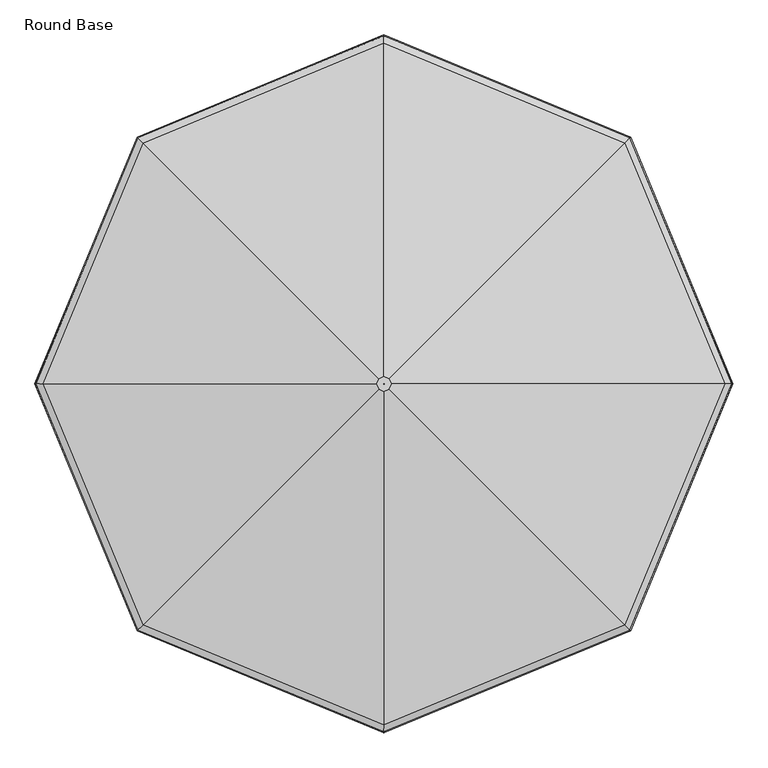
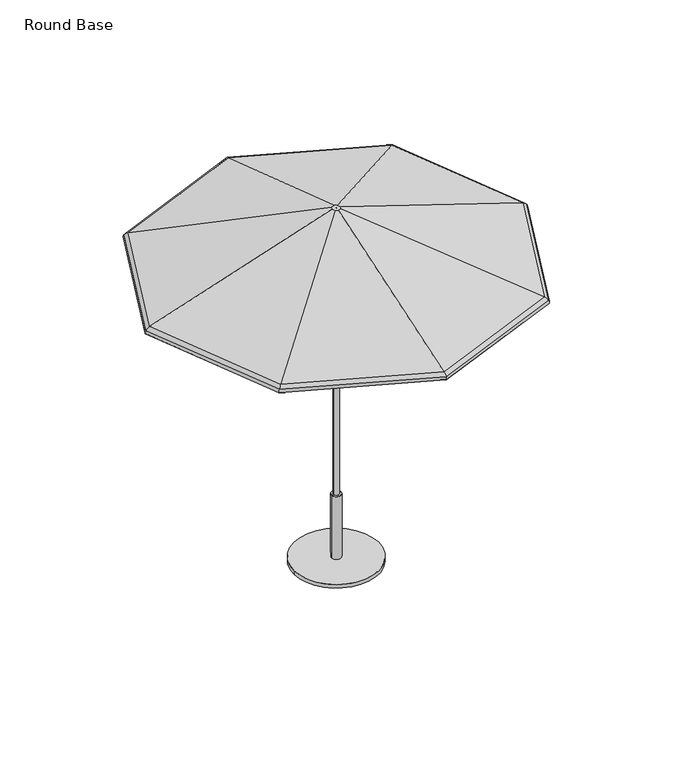
"""IFC4 building model written with IfcOpenShell, lengths in millimetres: furniture geometry, Round Base."""

from ifc_helpers import new_model, si_unit, point, frame, frame_2d, origin, origin_with_axes, place, context, project, spatial, polyline, circle_curve, ellipse_curve, trimmed, segment, composite_curve, outline, extrude, source, transform, mapped, element, save
from ifc_brep_helpers import plane_surface, cylinder_surface, revolved_surface, advanced_brep


def round_base_2bf08d6b(model_context):
    return source(origin(), model_context, "Body", "SolidModel", [
        advanced_brep(
        [(19.5795967, -23.609512, 2449.3082423), (867.9781902, -872.00808, 2054.63825), (1227.5064869, -4.0299408, 2054.63825), (27.6897202, -4.0299408, 2449.3082423), (0.2837179, -4.3136338, 2444.7441798), (0.2837179, -4.3136338, 2449.3082423), (0.4012274, -4.0299408, 2449.3082423), (0.4012274, -4.0299408, 2444.7441798), (866.8065131, -870.8364029, 2050.3385867), (18.976283, -23.0061982, 2444.7441798), (26.8365057, -4.0299408, 2444.7441798), (1225.8494853, -4.0299408, 2050.3385867), (867.9781902, 863.9481984, 2054.63825), (19.5795967, 15.5496304, 2449.3082423), (0.2837179, -3.7462478, 2449.3082423), (0.2837179, -3.7462478, 2444.7441798), (18.976283, 14.9463167, 2444.7441798), (866.8065131, 862.7765214, 2050.3385867), (0.0, 1223.4765468, 2054.63825), (0.0, 23.6597651, 2449.3082423), (0.0, -3.6287279, 2449.3082423), (0.0, -3.6287279, 2444.7441798), (0.0, 22.8065507, 2444.7441798), (0.0, 1221.8195452, 2050.3385867), (-867.9781902, 863.9481984, 2054.63825), (-19.5795967, 15.5496304, 2449.3082423), (-0.2837179, -3.7462478, 2449.3082423), (-0.2837179, -3.7462478, 2444.7441798), (-18.976283, 14.9463167, 2444.7441798), (-866.8065131, 862.7765214, 2050.3385867), (-1227.5064869, -4.0299408, 2054.63825), (-27.6897202, -4.0299408, 2449.3082423), (-0.4012274, -4.0299408, 2449.3082423), (-0.4012274, -4.0299408, 2444.7441798), (-26.8365057, -4.0299408, 2444.7441798), (-1225.8494853, -4.0299408, 2050.3385867), (-867.9781902, -872.00808, 2054.63825), (-19.5795967, -23.609512, 2449.3082423), (-0.2837179, -4.3136338, 2449.3082423), (-0.2837179, -4.3136338, 2444.7441798), (-18.976283, -23.0061982, 2444.7441798), (-866.8065131, -870.8364029, 2050.3385867), (0.0, -1231.5364283, 2054.63825), (0.0, -31.7196467, 2449.3082423), (0.0, -4.4311536, 2449.3082423), (0.0, -4.4311536, 2444.7441798), (0.0, -30.8664322, 2444.7441798), (0.0, -1229.8794267, 2050.3385867), (888.6808391, -892.7107282, 2015.4829783), (885.3255026, -889.3553919, 2016.7551217), (1252.0392907, -4.0299408, 2016.7551217), (1256.784453, -4.0299408, 2015.4829783), (886.7474447, -890.7773339, 2034.8989025), (1254.0502205, -4.0299408, 2034.8989025), (885.3255026, 881.2955103, 2016.7551217), (888.6808391, 884.6508467, 2015.4829783), (886.7474447, 882.7174524, 2034.8989025), (0.0, 1248.0093509, 2016.7551217), (0.0, 1252.7545132, 2015.4829783), (0.0, 1250.0202807, 2034.8989025), (-885.3255026, 881.2955103, 2016.7551217), (-888.6808391, 884.6508467, 2015.4829783), (-886.7474447, 882.7174524, 2034.8989025), (-1252.0392907, -4.0299408, 2016.7551217), (-1256.784453, -4.0299408, 2015.4829783), (-1254.0502205, -4.0299408, 2034.8989025), (-885.3255026, -889.3553919, 2016.7551217), (-888.6808391, -892.7107282, 2015.4829783), (-886.7474447, -890.7773339, 2034.8989025), (0.0, -1256.0692325, 2016.7551217), (0.0, -1260.8143948, 2015.4829783), (0.0, -1258.0801623, 2034.8989025), (883.7829619, -887.8128512, 2032.4847066), (1249.8578088, -4.0299408, 2032.4847066), (883.7829619, 879.7529696, 2032.4847066), (0.0, 1245.827869, 2032.4847066), (-883.7829619, 879.7529696, 2032.4847066), (-1249.8578088, -4.0299408, 2032.4847066), (-883.7829619, -887.8128512, 2032.4847066), (0.0, -1253.8877505, 2032.4847066)],
        [
            (0, 1),
            (1, 2),
            (2, 3),
            (3, 0),
            (4, 5),
            (5, 6),
            (6, 7),
            (7, 4),
            (8, 9),
            (9, 10),
            (10, 11),
            (11, 8),
            (2, 12),
            (12, 13),
            (13, 3),
            (6, 14),
            (14, 15),
            (15, 7),
            (10, 16),
            (16, 17),
            (17, 11),
            (12, 18),
            (18, 19),
            (19, 13),
            (14, 20),
            (20, 21),
            (21, 15),
            (16, 22),
            (22, 23),
            (23, 17),
            (18, 24),
            (24, 25),
            (25, 19),
            (20, 26),
            (26, 27),
            (27, 21),
            (22, 28),
            (28, 29),
            (29, 23),
            (24, 30),
            (30, 31),
            (31, 25),
            (26, 32),
            (32, 33),
            (33, 27),
            (28, 34),
            (34, 35),
            (35, 29),
            (30, 36),
            (36, 37),
            (37, 31),
            (32, 38),
            (38, 39),
            (39, 33),
            (34, 40),
            (40, 41),
            (41, 35),
            (36, 42),
            (42, 43),
            (43, 37),
            (38, 44),
            (44, 45),
            (45, 39),
            (40, 46),
            (46, 47),
            (47, 41),
            (42, 1),
            (0, 43),
            (5, 44),
            (4, 45),
            (9, 46),
            (8, 47),
            (48, 49, ellipse_curve(frame((887.0110539, -891.0409431, 2016.1545442), z_axis=(0.7071067705718669, 0.7071067918012279, 0.0), x_axis=(0.7071067918012278, -0.707106770571867, 0.0)), 2.4707782, 2.2827014)),
            (49, 50),
            (50, 51, ellipse_curve(frame((1254.4230202, -4.0299408, 2016.1545442), z_axis=(0.0, -1.0, 0.0), x_axis=(-1.0, 0.0, 0.0)), 2.4707782, 2.2827014)),
            (51, 48),
            (52, 48, ellipse_curve(frame((871.4269242, -875.4568139, 2022.4222784), z_axis=(0.7071067705718669, 0.7071067918012279, 0.0), x_axis=(0.7071067918012278, -0.707106770571867, 0.0)), 25.5305879, 23.5871876)),
            (51, 53, ellipse_curve(frame((1232.3837333, -4.0299408, 2022.4222784), z_axis=(0.0, -1.0, 0.0), x_axis=(-1.0, 0.0, 0.0)), 25.5305877, 23.5871876)),
            (53, 52),
            (1, 52, ellipse_curve(frame((855.7116602, -859.7415504, 2009.6241856), z_axis=(0.7071067705718669, 0.7071067918012279, 0.0), x_axis=(0.7071067918012278, -0.707106770571867, 0.0)), 51.7189887, 47.782115)),
            (53, 2, ellipse_curve(frame((1210.1589943, -4.0299408, 2009.6241856), z_axis=(0.0, -1.0, 0.0), x_axis=(-1.0, 0.0, 0.0)), 51.7189881, 47.782115)),
            (50, 54),
            (54, 55, ellipse_curve(frame((887.0110539, 882.9810616, 2016.1545442), z_axis=(0.7071067705718669, -0.7071067918012278, 0.0), x_axis=(-0.7071067918012273, -0.7071067705718674, 0.0)), 2.4707782, 2.2827014)),
            (55, 51),
            (55, 56, ellipse_curve(frame((871.4269242, 867.3969324, 2022.4222784), z_axis=(0.7071067705718669, -0.7071067918012278, 0.0), x_axis=(-0.7071067918012273, -0.7071067705718674, 0.0)), 25.5305879, 23.5871876)),
            (56, 53),
            (56, 12, ellipse_curve(frame((855.7116602, 851.6816688, 2009.6241856), z_axis=(0.7071067705718669, -0.7071067918012278, 0.0), x_axis=(-0.7071067918012273, -0.7071067705718674, 0.0)), 51.7189887, 47.782115)),
            (54, 57),
            (57, 58, ellipse_curve(frame((0.0, 1250.3930804, 2016.1545442), z_axis=(1.0, 0.0, 0.0), x_axis=(0.0, -1.0, 0.0)), 2.4707782, 2.2827014)),
            (58, 55),
            (58, 59, ellipse_curve(frame((0.0, 1228.3537932, 2022.4222784), z_axis=(1.0, 0.0, 0.0), x_axis=(0.0, -1.0, 0.0)), 25.530588, 23.5871876)),
            (59, 56),
            (59, 18, ellipse_curve(frame((0.0, 1206.129054, 2009.6241856), z_axis=(1.0, 0.0, 0.0), x_axis=(0.0, -1.0, 0.0)), 51.7189888, 47.782115)),
            (57, 60),
            (60, 61, ellipse_curve(frame((-887.0110539, 882.9810616, 2016.1545442), z_axis=(0.7071067705718668, 0.7071067918012279, 0.0), x_axis=(0.7071067918012285, -0.7071067705718664, 0.0)), 2.4707782, 2.2827014)),
            (61, 58),
            (61, 62, ellipse_curve(frame((-871.4269242, 867.3969324, 2022.4222784), z_axis=(0.7071067705718668, 0.7071067918012279, 0.0), x_axis=(0.7071067918012285, -0.7071067705718664, 0.0)), 25.5305879, 23.5871876)),
            (62, 59),
            (62, 24, ellipse_curve(frame((-855.7116602, 851.6816688, 2009.6241856), z_axis=(0.7071067705718668, 0.7071067918012279, 0.0), x_axis=(0.7071067918012285, -0.7071067705718664, 0.0)), 51.7189887, 47.782115)),
            (60, 63),
            (63, 64, ellipse_curve(frame((-1254.4230202, -4.0299408, 2016.1545442), z_axis=(0.0, 1.0, 0.0), x_axis=(1.0, 0.0, 0.0)), 2.4707782, 2.2827014)),
            (64, 61),
            (64, 65, ellipse_curve(frame((-1232.3837333, -4.0299408, 2022.4222784), z_axis=(0.0, 1.0, 0.0), x_axis=(1.0, 0.0, 0.0)), 25.5305877, 23.5871876)),
            (65, 62),
            (65, 30, ellipse_curve(frame((-1210.1589943, -4.0299408, 2009.6241856), z_axis=(0.0, 1.0, 0.0), x_axis=(1.0, 0.0, 0.0)), 51.7189881, 47.782115)),
            (63, 66),
            (66, 67, ellipse_curve(frame((-887.0110539, -891.0409431, 2016.1545442), z_axis=(-0.707106770571867, 0.7071067918012278, 0.0), x_axis=(0.7071067918012279, 0.7071067705718671, 0.0)), 2.4707782, 2.2827014)),
            (67, 64),
            (67, 68, ellipse_curve(frame((-871.4269242, -875.4568139, 2022.4222784), z_axis=(-0.707106770571867, 0.7071067918012278, 0.0), x_axis=(0.7071067918012279, 0.7071067705718671, 0.0)), 25.5305879, 23.5871876)),
            (68, 65),
            (68, 36, ellipse_curve(frame((-855.7116602, -859.7415504, 2009.6241856), z_axis=(-0.707106770571867, 0.7071067918012278, 0.0), x_axis=(0.7071067918012279, 0.7071067705718671, 0.0)), 51.7189887, 47.782115)),
            (66, 69),
            (69, 70, ellipse_curve(frame((0.0, -1258.452962, 2016.1545442), z_axis=(-1.0, 0.0, 0.0), x_axis=(0.0, 1.0, 0.0)), 2.4707782, 2.2827014)),
            (70, 67),
            (70, 71, ellipse_curve(frame((0.0, -1236.4136748, 2022.4222784), z_axis=(-1.0, 0.0, 0.0), x_axis=(0.0, 1.0, 0.0)), 25.530588, 23.5871876)),
            (71, 68),
            (71, 42, ellipse_curve(frame((0.0, -1214.1889356, 2009.6241856), z_axis=(-1.0, 0.0, 0.0), x_axis=(0.0, 1.0, 0.0)), 51.7189888, 47.782115)),
            (69, 49),
            (48, 70),
            (52, 71),
            (72, 8, ellipse_curve(frame((855.7116602, -859.7415504, 2009.6241856), z_axis=(-0.7071067705718669, -0.7071067918012279, 0.0), x_axis=(-0.7071067918012278, 0.707106770571867, 0.0)), 46.778883, 43.2180525)),
            (11, 73, ellipse_curve(frame((1210.1589943, -4.0299408, 2009.6241856), z_axis=(0.0, 1.0, 0.0), x_axis=(1.0, 0.0, 0.0)), 46.7788825, 43.2180525)),
            (73, 72),
            (49, 72, ellipse_curve(frame((871.4269242, -875.4568139, 2022.4222784), z_axis=(-0.7071067705718669, -0.7071067918012279, 0.0), x_axis=(-0.7071067918012278, 0.707106770571867, 0.0)), 20.5904823, 19.0231251)),
            (73, 50, ellipse_curve(frame((1232.3837333, -4.0299408, 2022.4222784), z_axis=(0.0, 1.0, 0.0), x_axis=(1.0, 0.0, 0.0)), 20.5904821, 19.0231251)),
            (17, 74, ellipse_curve(frame((855.7116602, 851.6816688, 2009.6241856), z_axis=(-0.7071067705718669, 0.7071067918012278, 0.0), x_axis=(0.7071067918012273, 0.7071067705718674, 0.0)), 46.778883, 43.2180525)),
            (74, 73),
            (74, 54, ellipse_curve(frame((871.4269242, 867.3969324, 2022.4222784), z_axis=(-0.7071067705718669, 0.7071067918012278, 0.0), x_axis=(0.7071067918012273, 0.7071067705718674, 0.0)), 20.5904823, 19.0231251)),
            (23, 75, ellipse_curve(frame((0.0, 1206.129054, 2009.6241856), z_axis=(-1.0, 0.0, 0.0), x_axis=(0.0, 1.0, 0.0)), 46.7788831, 43.2180525)),
            (75, 74),
            (75, 57, ellipse_curve(frame((0.0, 1228.3537932, 2022.4222784), z_axis=(-1.0, 0.0, 0.0), x_axis=(0.0, 1.0, 0.0)), 20.5904823, 19.0231251)),
            (29, 76, ellipse_curve(frame((-855.7116602, 851.6816688, 2009.6241856), z_axis=(-0.7071067705718668, -0.7071067918012279, 0.0), x_axis=(-0.7071067918012285, 0.7071067705718664, 0.0)), 46.778883, 43.2180525)),
            (76, 75),
            (76, 60, ellipse_curve(frame((-871.4269242, 867.3969324, 2022.4222784), z_axis=(-0.7071067705718668, -0.7071067918012279, 0.0), x_axis=(-0.7071067918012285, 0.7071067705718664, 0.0)), 20.5904823, 19.0231251)),
            (35, 77, ellipse_curve(frame((-1210.1589943, -4.0299408, 2009.6241856), z_axis=(0.0, -1.0, 0.0), x_axis=(-1.0, 0.0, 0.0)), 46.7788825, 43.2180525)),
            (77, 76),
            (77, 63, ellipse_curve(frame((-1232.3837333, -4.0299408, 2022.4222784), z_axis=(0.0, -1.0, 0.0), x_axis=(-1.0, 0.0, 0.0)), 20.5904821, 19.0231251)),
            (41, 78, ellipse_curve(frame((-855.7116602, -859.7415504, 2009.6241856), z_axis=(0.707106770571867, -0.7071067918012278, 0.0), x_axis=(-0.7071067918012279, -0.7071067705718671, 0.0)), 46.778883, 43.2180525)),
            (78, 77),
            (78, 66, ellipse_curve(frame((-871.4269242, -875.4568139, 2022.4222784), z_axis=(0.707106770571867, -0.7071067918012278, 0.0), x_axis=(-0.7071067918012279, -0.7071067705718671, 0.0)), 20.5904823, 19.0231251)),
            (47, 79, ellipse_curve(frame((0.0, -1214.1889356, 2009.6241856), z_axis=(1.0, 0.0, 0.0), x_axis=(0.0, -1.0, 0.0)), 46.7788831, 43.2180525)),
            (79, 78),
            (79, 69, ellipse_curve(frame((0.0, -1236.4136748, 2022.4222784), z_axis=(1.0, 0.0, 0.0), x_axis=(0.0, -1.0, 0.0)), 20.5904823, 19.0231251)),
            (72, 79),
        ],
        [
            plane_surface(frame((867.9781902, -872.00808, 2054.63825), z_axis=(0.3098860594599675, -0.12835900134285777, 0.9420693164128837), x_axis=(0.3826834138500074, 0.9238795401804848, 0.0))),
            plane_surface(frame((0.2837179, -4.3136338, 2449.3082423), z_axis=(-0.9238795401805519, 0.3826834138498457, 0.0), x_axis=(0.3826834138498457, 0.9238795401805519, 0.0))),
            plane_surface(frame((18.976283, -23.0061982, 2444.7441798), z_axis=(-0.30988605945996583, 0.12835900134286157, -0.9420693164128836), x_axis=(0.3826834138500158, 0.9238795401804812, 0.0))),
            plane_surface(frame((1227.5064869, -4.0299408, 2054.63825), z_axis=(0.3098860594599674, 0.1283590013428578, 0.9420693164128837), x_axis=(-0.38268341385000754, 0.9238795401804847, 0.0))),
            plane_surface(frame((0.4012274, -4.0299408, 2449.3082423), z_axis=(-0.9238795401804236, -0.38268341385015503, 0.0), x_axis=(-0.38268341385015503, 0.9238795401804236, 0.0))),
            plane_surface(frame((26.8365057, -4.0299408, 2444.7441798), z_axis=(-0.3098860594599669, -0.12835900134285932, -0.9420693164128837), x_axis=(-0.38268341385000904, 0.9238795401804841, 0.0))),
            plane_surface(frame((867.9781902, 863.9481984, 2054.63825), z_axis=(0.12835901064652352, 0.30988605560626115, 0.9420693164128842), x_axis=(-0.9238795286912376, 0.3826834415875042, 0.0))),
            plane_surface(frame((0.2837179, -3.7462478, 2449.3082423), z_axis=(-0.3826834415882052, -0.9238795286909472, 0.0), x_axis=(-0.9238795286909472, 0.3826834415882052, 0.0))),
            plane_surface(frame((18.976283, 14.9463167, 2444.7441798), z_axis=(-0.12835901064652197, -0.309886055606262, -0.9420693164128842), x_axis=(-0.9238795286912361, 0.38268344158750756, 0.0))),
            plane_surface(frame((0.0, 1223.4765468, 2054.63825), z_axis=(-0.12835901064652352, 0.3098860556062612, 0.9420693164128842), x_axis=(-0.9238795286912376, -0.3826834415875041, 0.0))),
            plane_surface(frame((0.0, -3.6287279, 2449.3082423), z_axis=(0.3826834415881674, -0.9238795286909629, 0.0), x_axis=(-0.9238795286909629, -0.3826834415881674, 1.7630868610491193e-12))),
            plane_surface(frame((0.0, 22.8065507, 2444.7441798), z_axis=(0.12835901064650254, -0.3098860556062698, -0.9420693164128842), x_axis=(-0.9238795286912317, -0.38268344158751827, 0.0))),
            plane_surface(frame((-867.9781902, 863.9481984, 2054.63825), z_axis=(-0.3098860594599674, 0.1283590013428577, 0.9420693164128838), x_axis=(-0.3826834138500073, -0.9238795401804849, 0.0))),
            plane_surface(frame((-0.2837179, -3.7462478, 2449.3082423), z_axis=(0.9238795401804988, -0.3826834138499735, 0.0), x_axis=(-0.3826834138499735, -0.9238795401804988, 0.0))),
            plane_surface(frame((-18.976283, 14.9463167, 2444.7441798), z_axis=(0.309886059459966, -0.12835900134286143, -0.9420693164128837), x_axis=(-0.38268341385001536, -0.9238795401804816, 0.0))),
            plane_surface(frame((-1227.5064869, -4.0299408, 2054.63825), z_axis=(-0.30988605945996744, -0.12835900134285777, 0.9420693164128836), x_axis=(0.3826834138500075, -0.9238795401804848, 0.0))),
            plane_surface(frame((-0.4012274, -4.0299408, 2449.3082423), z_axis=(0.9238795401804434, 0.3826834138501074, 0.0), x_axis=(0.3826834138501074, -0.9238795401804434, 0.0))),
            plane_surface(frame((-26.8365057, -4.0299408, 2444.7441798), z_axis=(0.30988605945996417, 0.1283590013428655, -0.9420693164128837), x_axis=(0.3826834138500276, -0.9238795401804764, 0.0))),
            plane_surface(frame((-867.9781902, -872.00808, 2054.63825), z_axis=(-0.12835901064652355, -0.30988605560626115, 0.9420693164128843), x_axis=(0.9238795286912376, -0.3826834415875043, 0.0))),
            plane_surface(frame((-0.2837179, -4.3136338, 2449.3082423), z_axis=(0.38268344158750667, 0.9238795286912367, 0.0), x_axis=(0.9238795286912367, -0.38268344158750667, -1.7630868610541979e-12))),
            plane_surface(frame((-18.976283, -23.0061982, 2444.7441798), z_axis=(0.12835901064652216, 0.30988605560626176, -0.9420693164128844), x_axis=(0.9238795286912359, -0.38268344158750833, 0.0))),
            plane_surface(frame((0.0, -1231.5364283, 2054.63825), z_axis=(0.12835901064652355, -0.30988605560626103, 0.9420693164128844), x_axis=(0.9238795286912376, 0.3826834415875044, 0.0))),
            plane_surface(frame((0.0, -31.7196467, 2449.3082423), z_axis=(0.0, 0.0, 1.0000000000000002), x_axis=(0.9238795286912374, 0.38268344158750495, 0.0))),
            plane_surface(frame((0.0, -4.4311536, 2449.3082423), z_axis=(-0.3826834415880379, 0.9238795286910165, 0.0), x_axis=(0.9238795286910165, 0.3826834415880379, 1.7630868610505533e-12))),
            plane_surface(frame((0.0, -4.4311536, 2444.7441798), z_axis=(0.0, 0.0, -1.0), x_axis=(0.9238795286912637, 0.38268344158744133, 0.0))),
            plane_surface(frame((0.0, -30.8664322, 2444.7441798), z_axis=(-0.1283590106464981, 0.3098860556062716, -0.9420693164128844), x_axis=(0.9238795286912372, 0.38268344158750517, 0.0))),
            cylinder_surface(frame((885.6093569, -894.4249392, 2016.1545442), z_axis=(-0.3826834138500074, -0.9238795401804848, 0.0), x_axis=(-0.9238795401804848, 0.3826834138500074, 0.0)), 2.2827014),
            cylinder_surface(frame((866.7976485, -886.6328749, 2022.4222784), z_axis=(-0.3826834138500074, -0.9238795401804848, 0.0), x_axis=(-0.9238795401804848, 0.3826834138500074, 0.0)), 23.5871876),
            cylinder_surface(frame((847.8276469, -878.7752434, 2009.6241856), z_axis=(-0.3826834138500074, -0.9238795401804848, 0.0), x_axis=(-0.9238795401804848, 0.3826834138500074, 0.0)), 47.782115),
            cylinder_surface(frame((1255.8247171, -7.4139366, 2016.1545442), z_axis=(0.38268341385000737, -0.9238795401804849, 0.0), x_axis=(-0.9238795401804849, -0.38268341385000737, 0.0)), 2.2827014),
            cylinder_surface(frame((1237.0130087, -15.2060009, 2022.4222784), z_axis=(0.38268341385000737, -0.9238795401804849, 0.0), x_axis=(-0.9238795401804849, -0.38268341385000737, 0.0)), 23.5871876),
            cylinder_surface(frame((1218.0430071, -23.0636324, 2009.6241856), z_axis=(0.38268341385000737, -0.9238795401804849, 0.0), x_axis=(-0.9238795401804849, -0.38268341385000737, 0.0)), 47.782115),
            cylinder_surface(frame((890.3950499, 881.5793645, 2016.1545442), z_axis=(0.9238795286912376, -0.38268344158750417, 0.0), x_axis=(-0.38268344158750417, -0.9238795286912376, 0.0)), 2.2827014),
            cylinder_surface(frame((882.6029851, 862.7676563, 2022.4222784), z_axis=(0.9238795286912376, -0.38268344158750417, 0.0), x_axis=(-0.38268344158750417, -0.9238795286912376, 0.0)), 23.5871876),
            cylinder_surface(frame((874.745353, 843.7976549, 2009.6241856), z_axis=(0.9238795286912376, -0.38268344158750417, 0.0), x_axis=(-0.38268344158750417, -0.9238795286912376, 0.0)), 47.782115),
            cylinder_surface(frame((3.3839961, 1251.7947775, 2016.1545442), z_axis=(0.9238795286912376, 0.3826834415875045, 0.0), x_axis=(0.3826834415875045, -0.9238795286912376, 0.0)), 2.2827014),
            cylinder_surface(frame((11.176061, 1232.9830694, 2022.4222784), z_axis=(0.9238795286912376, 0.3826834415875045, 0.0), x_axis=(0.3826834415875045, -0.9238795286912376, 0.0)), 23.5871876),
            cylinder_surface(frame((19.033693, 1214.013068, 2009.6241856), z_axis=(0.9238795286912376, 0.3826834415875045, 0.0), x_axis=(0.3826834415875045, -0.9238795286912376, 0.0)), 47.782115),
            cylinder_surface(frame((-885.6093569, 886.3650576, 2016.1545442), z_axis=(0.3826834138500073, 0.9238795401804848, 0.0), x_axis=(0.9238795401804848, -0.3826834138500073, 0.0)), 2.2827014),
            cylinder_surface(frame((-866.7976485, 878.5729933, 2022.4222784), z_axis=(0.3826834138500073, 0.9238795401804848, 0.0), x_axis=(0.9238795401804848, -0.3826834138500073, 0.0)), 23.5871876),
            cylinder_surface(frame((-847.8276469, 870.7153618, 2009.6241856), z_axis=(0.3826834138500073, 0.9238795401804848, 0.0), x_axis=(0.9238795401804848, -0.3826834138500073, 0.0)), 47.782115),
            cylinder_surface(frame((-1255.8247171, -0.6459449, 2016.1545442), z_axis=(-0.3826834138500074, 0.9238795401804848, 0.0), x_axis=(0.9238795401804848, 0.3826834138500074, 0.0)), 2.2827014),
            cylinder_surface(frame((-1237.0130087, 7.1461194, 2022.4222784), z_axis=(-0.3826834138500074, 0.9238795401804848, 0.0), x_axis=(0.9238795401804848, 0.3826834138500074, 0.0)), 23.5871876),
            cylinder_surface(frame((-1218.0430071, 15.0037509, 2009.6241856), z_axis=(-0.3826834138500074, 0.9238795401804848, 0.0), x_axis=(0.9238795401804848, 0.3826834138500074, 0.0)), 47.782115),
            cylinder_surface(frame((-890.3950499, -889.639246, 2016.1545442), z_axis=(-0.9238795286912376, 0.3826834415875041, 0.0), x_axis=(0.3826834415875041, 0.9238795286912376, 0.0)), 2.2827014),
            cylinder_surface(frame((-882.6029851, -870.8275378, 2022.4222784), z_axis=(-0.9238795286912376, 0.3826834415875041, 0.0), x_axis=(0.3826834415875041, 0.9238795286912376, 0.0)), 23.5871876),
            cylinder_surface(frame((-874.745353, -851.8575365, 2009.6241856), z_axis=(-0.9238795286912376, 0.3826834415875041, 0.0), x_axis=(0.3826834415875041, 0.9238795286912376, 0.0)), 47.782115),
            cylinder_surface(frame((-3.3839961, -1259.8546591, 2016.1545442), z_axis=(-0.9238795286912376, -0.3826834415875045, 0.0), x_axis=(-0.3826834415875045, 0.9238795286912376, 0.0)), 2.2827014),
            cylinder_surface(frame((-11.176061, -1241.0429509, 2022.4222784), z_axis=(-0.9238795286912376, -0.3826834415875045, 0.0), x_axis=(-0.3826834415875045, 0.9238795286912376, 0.0)), 23.5871876),
            cylinder_surface(frame((-19.033693, -1222.0729496, 2009.6241856), z_axis=(-0.9238795286912376, -0.3826834415875045, 0.0), x_axis=(-0.3826834415875045, 0.9238795286912376, 0.0)), 47.782115),
            revolved_surface(polyline([(1177.0813279177353, 29.04772291639233, 2009.6241856), (808.9327772004092, -859.7415515729037, 2009.6241856)]), (847.8276469, -878.7752434, 2009.6241856), (0.3826834138500074, 0.9238795401804848, 0.0)),
            revolved_surface(polyline([(1217.8240632036184, 10.529728133929439, 2022.4222784), (850.8364419865392, -875.4568144520437, 2022.4222784)]), (866.7976485, -886.6328749, 2022.4222784), (0.3826834138500074, 0.9238795401804848, 0.0)),
            revolved_surface(polyline([(808.9327772202232, 851.6816699811113, 2009.6241856), (1177.0813279375493, -37.10760450818483, 2009.6241856)]), (1218.0430071, -23.0636324, 2009.6241856), (-0.38268341385000737, 0.9238795401804849, 0.0)),
            revolved_surface(polyline([(850.8364419709978, 867.3969329456064, 2022.4222784), (1217.8240632234324, -18.589609725721992, 2022.4222784)]), (1237.0130087, -15.2060009, 2022.4222784), (-0.38268341385000737, 0.9238795401804849, 0.0)),
            revolved_surface(polyline([(-33.07766613995125, 1173.05138914796, 2009.6241856), (855.7116599637476, 804.9027857890122, 2009.6241856)]), (874.745353, 843.7976549, 2009.6241856), (-0.9238795286912376, 0.38268344158750417, 0.0)),
            revolved_surface(polyline([(-14.55966994483424, 1213.794123847939, 2022.4222784), (871.4269241167767, 846.8064501452996, 2022.4222784)]), (882.6029851, 862.7676563, 2022.4222784), (-0.9238795286912376, 0.38268344158750417, 0.0)),
            revolved_surface(polyline([(-855.7116599740738, 804.9027858139414, 2009.6241856), (33.07766612962508, 1173.0513891728895, 2009.6241856)]), (19.033693, 1214.013068, 2009.6241856), (-0.9238795286912376, -0.3826834415875045, 0.0)),
            revolved_surface(polyline([(-871.4269241124583, 846.8064501348736, 2022.4222784), (14.559669949152642, 1213.7941238375133, 2022.4222784)]), (11.176061, 1232.9830694, 2022.4222784), (-0.9238795286912376, -0.3826834415875045, 0.0)),
            revolved_surface(polyline([(-1177.081327917735, -37.10760451639214, 2009.6241856), (-808.9327772004092, 851.6816699729037, 2009.6241856)]), (-847.8276469, 870.7153618, 2009.6241856), (-0.3826834138500073, -0.9238795401804848, 0.0)),
            revolved_surface(polyline([(-1217.8240632036182, -18.58960973392925, 2022.4222784), (-850.8364419511838, 867.3969329373989, 2022.4222784)]), (-866.7976485, 878.5729933, 2022.4222784), (-0.3826834138500073, -0.9238795401804848, 0.0)),
            revolved_surface(polyline([(-808.932777184868, -859.7415515664663, 2009.6241856), (-1177.0813279021938, 29.047722922829497, 2009.6241856)]), (-1218.0430071, 15.0037509, 2009.6241856), (0.3826834138500074, -0.9238795401804848, 0.0)),
            revolved_surface(polyline([(-850.8364419709978, -875.4568144456061, 2022.4222784), (-1217.8240631880772, 10.529728140366657, 2022.4222784)]), (-1237.0130087, 7.1461194, 2022.4222784), (0.3826834138500074, -0.9238795401804848, 0.0)),
            revolved_surface(polyline([(33.07766613995125, -1181.11127074796, 2009.6241856), (-855.7116599637476, -812.9626673890123, 2009.6241856)]), (-874.745353, -851.8575365, 2009.6241856), (0.9238795286912376, -0.3826834415875041, 0.0)),
            revolved_surface(polyline([(14.559669980189597, -1221.8540053625836, 2022.4222784), (-871.4269241167767, -854.8663316452995, 2022.4222784)]), (-882.6029851, -870.8275378, 2022.4222784), (0.9238795286912376, -0.3826834415875041, 0.0)),
            revolved_surface(polyline([(855.7116599740737, -812.9626674139414, 2009.6241856), (-33.07766612962508, -1181.1112707728894, 2009.6241856)]), (-19.033693, -1222.0729496, 2009.6241856), (0.9238795286912376, 0.3826834415875045, 0.0)),
            revolved_surface(polyline([(871.4269241124583, -854.8663316348736, 2022.4222784), (-14.559669984508012, -1221.854005352158, 2022.4222784)]), (-11.176061, -1241.0429509, 2022.4222784), (0.9238795286912376, 0.3826834415875045, 0.0)),
        ],
        [
            (0, [[1, 2, 3, 4]]),
            (1, [[5, 6, 7, 8]]),
            (2, [[9, 10, 11, 12]]),
            (3, [[-3, 13, 14, 15]]),
            (4, [[-7, 16, 17, 18]]),
            (5, [[-11, 19, 20, 21]]),
            (6, [[-14, 22, 23, 24]]),
            (7, [[-17, 25, 26, 27]]),
            (8, [[-20, 28, 29, 30]]),
            (9, [[-23, 31, 32, 33]]),
            (10, [[-26, 34, 35, 36]]),
            (11, [[-29, 37, 38, 39]]),
            (12, [[-32, 40, 41, 42]]),
            (13, [[-35, 43, 44, 45]]),
            (14, [[-38, 46, 47, 48]]),
            (15, [[-41, 49, 50, 51]]),
            (16, [[-44, 52, 53, 54]]),
            (17, [[-47, 55, 56, 57]]),
            (18, [[-50, 58, 59, 60]]),
            (19, [[-53, 61, 62, 63]]),
            (20, [[-56, 64, 65, 66]]),
            (21, [[-59, 67, -1, 68]]),
            (22, [[-51, -60, -68, -4, -15, -24, -33, -42], [69, -61, -52, -43, -34, -25, -16, -6]]),
            (23, [[-62, -69, -5, 70]]),
            (24, [[71, -64, -55, -46, -37, -28, -19, -10], [-54, -63, -70, -8, -18, -27, -36, -45]]),
            (25, [[-65, -71, -9, 72]]),
            (26, [[73, 74, 75, 76]]),
            (27, [[77, -76, 78, 79]]),
            (28, [[80, -79, 81, -2]]),
            (29, [[-75, 82, 83, 84]]),
            (30, [[-78, -84, 85, 86]]),
            (31, [[-81, -86, 87, -13]]),
            (32, [[-83, 88, 89, 90]]),
            (33, [[-85, -90, 91, 92]]),
            (34, [[-87, -92, 93, -22]]),
            (35, [[-89, 94, 95, 96]]),
            (36, [[-91, -96, 97, 98]]),
            (37, [[-93, -98, 99, -31]]),
            (38, [[-95, 100, 101, 102]]),
            (39, [[-97, -102, 103, 104]]),
            (40, [[-99, -104, 105, -40]]),
            (41, [[-101, 106, 107, 108]]),
            (42, [[-103, -108, 109, 110]]),
            (43, [[-105, -110, 111, -49]]),
            (44, [[-107, 112, 113, 114]]),
            (45, [[-109, -114, 115, 116]]),
            (46, [[-111, -116, 117, -58]]),
            (47, [[-113, 118, -73, 119]]),
            (48, [[-115, -119, -77, 120]]),
            (49, [[-117, -120, -80, -67]]),
            (50, [[121, -12, 122, 123]]),
            (51, [[124, -123, 125, -74]]),
            (52, [[-122, -21, 126, 127]]),
            (53, [[-125, -127, 128, -82]]),
            (54, [[-126, -30, 129, 130]]),
            (55, [[-128, -130, 131, -88]]),
            (56, [[-129, -39, 132, 133]]),
            (57, [[-131, -133, 134, -94]]),
            (58, [[-132, -48, 135, 136]]),
            (59, [[-134, -136, 137, -100]]),
            (60, [[-135, -57, 138, 139]]),
            (61, [[-137, -139, 140, -106]]),
            (62, [[-138, -66, 141, 142]]),
            (63, [[-140, -142, 143, -112]]),
            (64, [[-141, -72, -121, 144]]),
            (65, [[-143, -144, -124, -118]]),
        ],
    ),
        extrude(outline(composite_curve([segment(trimmed(circle_curve(frame_2d((0.0, -4.0299408)), 279.4), [point((-279.4, -4.0299408))], [point((279.4, -4.0299408))], False, "CARTESIAN"), True, "CONTINUOUS"), segment(trimmed(circle_curve(frame_2d((0.0, -4.0299408)), 279.4), [point((279.4, -4.0299408))], [point((-279.4, -4.0299408))], False, "CARTESIAN"), True, "CONTINUOUS")], self_intersect=False)), origin_with_axes(), (0.0, 0.0, 1.0), 25.4),
        advanced_brep(
        [(-19.05, -4.0299408, 463.5500121), (19.05, -4.0299408, 463.5500121), (31.7499992, -4.0299408, 463.5500121), (-31.7499992, -4.0299408, 463.5500121), (-19.05, -4.0299408, 1873.1507813), (19.05, -4.0299408, 1873.1507813), (0.0, -4.0299408, 1873.1507813), (-31.7499992, -4.0299408, 25.4), (31.7499992, -4.0299408, 25.4), (0.0, -4.0299408, 25.4)],
        [
            (0, 1, circle_curve(frame((0.0, -4.0299408, 463.5500121), z_axis=(0.0, 0.0, -1.0), x_axis=(1.0, 0.0, 0.0)), 19.05)),
            (1, 2),
            (2, 3, circle_curve(frame((0.0, -4.0299408, 463.5500121), z_axis=(0.0, 0.0, 1.0), x_axis=(1.0, 0.0, 0.0)), 31.7499992)),
            (3, 0),
            (1, 0, circle_curve(frame((0.0, -4.0299408, 463.5500121), z_axis=(0.0, 0.0, -1.0), x_axis=(1.0, 0.0, 0.0)), 19.05)),
            (3, 2, circle_curve(frame((0.0, -4.0299408, 463.5500121), z_axis=(0.0, 0.0, 1.0), x_axis=(1.0, 0.0, 0.0)), 31.7499992)),
            (4, 5, circle_curve(frame((0.0, -4.0299408, 1873.1507813), z_axis=(0.0, 0.0, -1.0), x_axis=(1.0, 0.0, 0.0)), 19.05)),
            (5, 1),
            (0, 4),
            (5, 4, circle_curve(frame((0.0, -4.0299408, 1873.1507813), z_axis=(0.0, 0.0, -1.0), x_axis=(1.0, 0.0, 0.0)), 19.05)),
            (6, 5),
            (4, 6),
            (7, 8, circle_curve(frame((0.0, -4.0299408, 25.4), z_axis=(0.0, 0.0, -1.0), x_axis=(1.0, 0.0, 0.0)), 31.7499992)),
            (8, 9),
            (9, 7),
            (8, 7, circle_curve(frame((0.0, -4.0299408, 25.4), z_axis=(0.0, 0.0, -1.0), x_axis=(1.0, 0.0, 0.0)), 31.7499992)),
            (2, 8),
            (7, 3),
        ],
        [
            plane_surface(frame((0.0, -4.0299408, 463.5500121), z_axis=(0.0, 0.0, 1.0), x_axis=(1.0, 0.0, 0.0))),
            cylinder_surface(frame((0.0, -4.0299408, 2736.7507813), z_axis=(0.0, 0.0, 1.0), x_axis=(1.0, 0.0, 0.0)), 19.05),
            plane_surface(frame((0.0, -4.0299408, 1873.1507813), z_axis=(0.0, 0.0, 1.0), x_axis=(1.0, 0.0, 0.0))),
            plane_surface(frame((0.0, -4.0299408, 25.4), z_axis=(0.0, 0.0, -1.0), x_axis=(1.0, 0.0, 0.0))),
            cylinder_surface(frame((0.0, -4.0299408, 2736.7507813), z_axis=(0.0, 0.0, 1.0), x_axis=(1.0, 0.0, 0.0)), 31.7499992),
        ],
        [
            (0, [[1, 2, 3, 4]]),
            (0, [[5, -4, 6, -2]]),
            (1, [[7, 8, -1, 9]]),
            (1, [[10, -9, -5, -8]]),
            (2, [[11, -7, 12]]),
            (2, [[-12, -10, -11]]),
            (3, [[13, 14, 15]]),
            (3, [[16, -15, -14]]),
            (4, [[-3, 17, -13, 18]]),
            (4, [[-6, -18, -16, -17]]),
        ],
    ),
    ])


if __name__ == "__main__":
    model = new_model("IFC4")
    model_context = context("Model", 3, world=origin())
    ifc_project = project(units=[si_unit("LENGTHUNIT", "METRE", prefix="MILLI")], contexts=[model_context])
    site = spatial("IfcSite", under=ifc_project)
    building = spatial("IfcBuilding", under=site)
    placement = place(None, origin())
    round_base_shape = round_base_2bf08d6b(model_context)
    element("IfcFurniture", 1, ObjectType="Round Base", at=placement, inside=building, context=model_context, shape_type="MappedRepresentation", body=[
        mapped(round_base_shape, transform((0.0, 0.0, 0.0), x_axis=(1.0, 0.0, 0.0), y_axis=(0.0, 1.0, 0.0), z_axis=(0.0, 0.0, 1.0))),
    ])
    save(model, "model.ifc")
